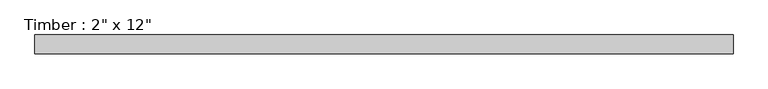
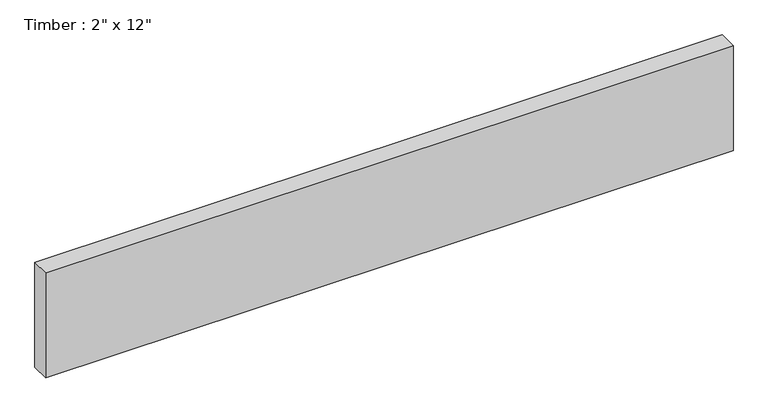
"""IFC4 building model written with IfcOpenShell, lengths in millimetres: beam geometry."""

from ifc_helpers import new_model, si_unit, frame, origin, place, context, project, spatial, polyline, outline, extrude, source, transform, mapped, element, save


def beam_51c37a16(model_context):
    return source(origin(), model_context, "Body", "SweptSolid", [
        extrude(outline(polyline([(955.6914565, 25.4), (955.6914565, -25.4), (-928.503192, -25.4), (-928.503192, 25.4), (955.6914565, 25.4)])), frame((0.0, 0.0, -152.4), z_axis=(0.0, 0.0, 1.0), x_axis=(1.0, 0.0, 0.0)), (0.0, 0.0, 1.0), 304.8),
    ])


if __name__ == "__main__":
    model = new_model("IFC4")
    model_context = context("Model", 3, world=origin())
    ifc_project = project(units=[si_unit("LENGTHUNIT", "METRE", prefix="MILLI")], contexts=[model_context])
    site = spatial("IfcSite", under=ifc_project)
    building = spatial("IfcBuilding", under=site)
    placement = place(None, origin())
    beam_shape = beam_51c37a16(model_context)
    element("IfcBeam", 1, ObjectType="Timber : 2\" x 12\"", at=placement, inside=building, context=model_context, shape_type="MappedRepresentation", body=[
        mapped(beam_shape, transform((0.0, 0.0, 0.0), x_axis=(1.0, 0.0, 0.0), y_axis=(0.0, 1.0, 0.0), z_axis=(0.0, 0.0, 1.0))),
    ])
    save(model, "model.ifc")
